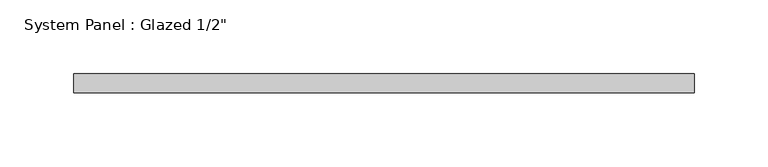
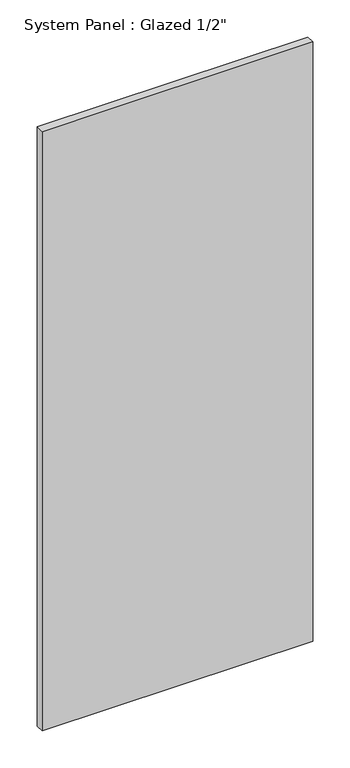
"""IFC4 building model written with IfcOpenShell, lengths in millimetres: plate geometry."""

from ifc_helpers import new_model, si_unit, origin, origin_with_axes, place, context, project, spatial, polyline, outline, extrude, source, transform, mapped, element, save


def plate_d39ec637(model_context):
    return source(origin(), model_context, "Body", "SweptSolid", [
        extrude(outline(polyline([(209.55, -6.35), (-209.55, -6.35), (-209.55, 6.35), (209.55, 6.35), (209.55, -6.35)])), origin_with_axes(), (0.0, 0.0, 1.0), 981.111813),
    ])


if __name__ == "__main__":
    model = new_model("IFC4")
    model_context = context("Model", 3, world=origin())
    ifc_project = project(units=[si_unit("LENGTHUNIT", "METRE", prefix="MILLI")], contexts=[model_context])
    site = spatial("IfcSite", under=ifc_project)
    building = spatial("IfcBuilding", under=site)
    placement = place(None, origin())
    plate_shape = plate_d39ec637(model_context)
    element("IfcPlate", 1, ObjectType="System Panel : Glazed 1/2\"", at=placement, inside=building, context=model_context, shape_type="MappedRepresentation", body=[
        mapped(plate_shape, transform((0.0, 0.0, 0.0), x_axis=(1.0, 0.0, 0.0), y_axis=(0.0, 1.0, 0.0), z_axis=(0.0, 0.0, 1.0))),
    ])
    save(model, "model.ifc")
